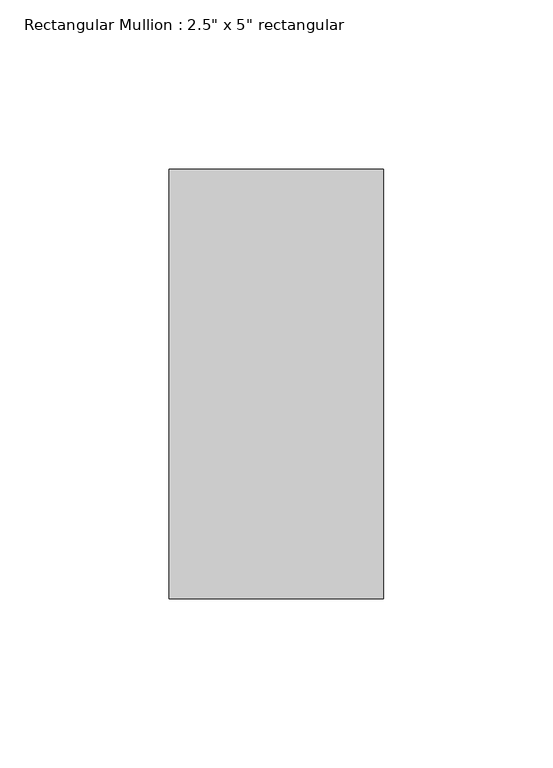
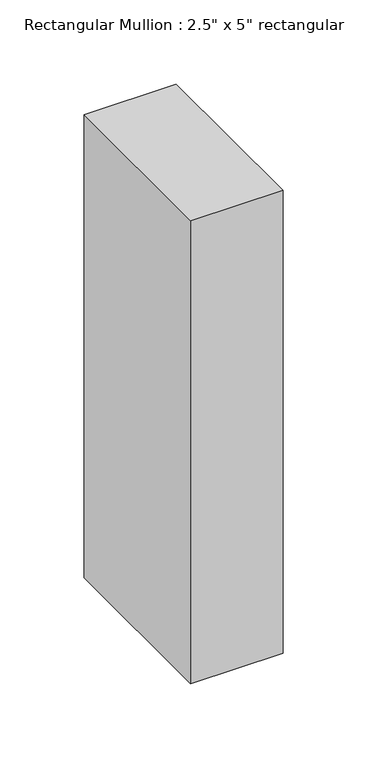
"""IFC4 building model written with IfcOpenShell, lengths in millimetres: member geometry."""

from ifc_helpers import new_model, si_unit, frame, origin, place, context, project, spatial, polyline, outline, extrude, source, transform, mapped, element, save


def member_80bb9b3a(model_context):
    return source(origin(), model_context, "Body", "SweptSolid", [
        extrude(outline(polyline([(31.75, 63.5), (31.75, -63.5), (-31.75, -63.5), (-31.75, 63.5), (31.75, 63.5)])), frame((0.0, 0.0, -336.55), z_axis=(0.0, 0.0, 1.0), x_axis=(1.0, 0.0, 0.0)), (0.0, 0.0, 1.0), 336.55),
    ])


if __name__ == "__main__":
    model = new_model("IFC4")
    model_context = context("Model", 3, world=origin())
    ifc_project = project(units=[si_unit("LENGTHUNIT", "METRE", prefix="MILLI")], contexts=[model_context])
    site = spatial("IfcSite", under=ifc_project)
    building = spatial("IfcBuilding", under=site)
    placement = place(None, origin())
    member_shape = member_80bb9b3a(model_context)
    element("IfcMember", 1, ObjectType="Rectangular Mullion : 2.5\" x 5\" rectangular", at=placement, inside=building, context=model_context, shape_type="MappedRepresentation", body=[
        mapped(member_shape, transform((0.0, 0.0, 0.0), x_axis=(1.0, 0.0, 0.0), y_axis=(0.0, 1.0, 0.0), z_axis=(0.0, 0.0, 1.0))),
    ])
    save(model, "model.ifc")
